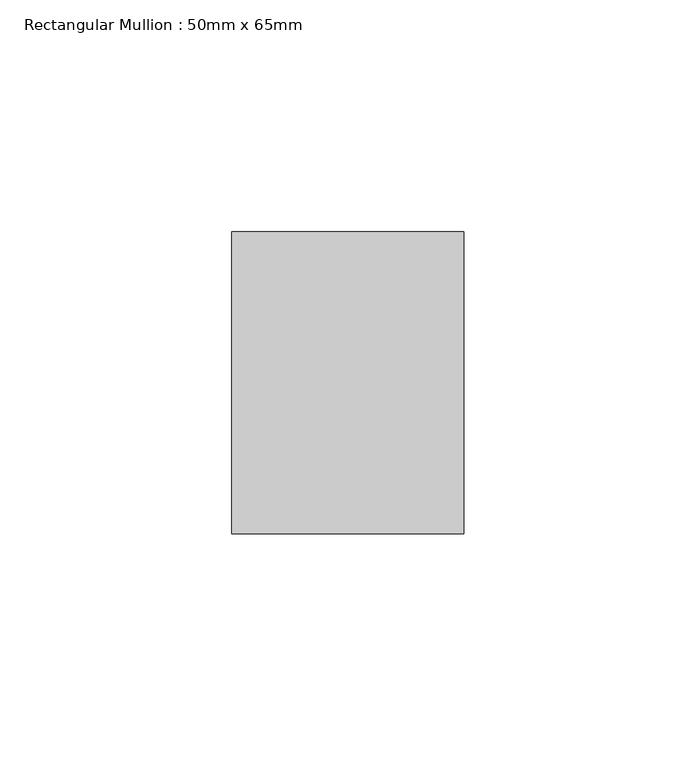
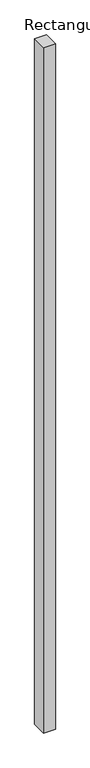
"""IFC4 building model written with IfcOpenShell, lengths in millimetres: member geometry, Rectangular Mullion : 50mm x 65mm."""

from ifc_helpers import new_model, si_unit, frame, origin, place, context, project, spatial, polyline, outline, extrude, source, transform, mapped, element, save


def rectangular_mullion_50mm_x_65mm_1ac7cffa(model_context):
    return source(origin(), model_context, "Body", "SweptSolid", [
        extrude(outline(polyline([(25.0, 32.5), (25.0, -32.5), (-25.0, -32.5), (-25.0, 32.5), (25.0, 32.5)])), frame((0.0, 0.0, -3078.7105421), z_axis=(0.0, 0.0, 1.0), x_axis=(1.0, 0.0, 0.0)), (0.0, 0.0, 1.0), 3078.7105421),
    ])


if __name__ == "__main__":
    model = new_model("IFC4")
    model_context = context("Model", 3, world=origin())
    ifc_project = project(units=[si_unit("LENGTHUNIT", "METRE", prefix="MILLI")], contexts=[model_context])
    site = spatial("IfcSite", under=ifc_project)
    building = spatial("IfcBuilding", under=site)
    placement = place(None, origin())
    rectangular_mullion_50mm_x_65mm_shape = rectangular_mullion_50mm_x_65mm_1ac7cffa(model_context)
    element("IfcMember", 1, ObjectType="Rectangular Mullion : 50mm x 65mm", at=placement, inside=building, context=model_context, shape_type="MappedRepresentation", body=[
        mapped(rectangular_mullion_50mm_x_65mm_shape, transform((0.0, 0.0, 0.0), x_axis=(1.0, 0.0, 0.0), y_axis=(0.0, 1.0, 0.0), z_axis=(0.0, 0.0, 1.0))),
    ])
    save(model, "model.ifc")
